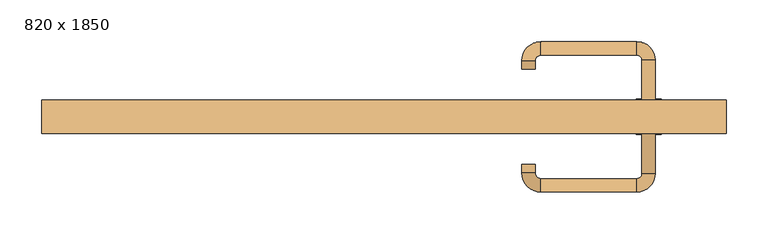
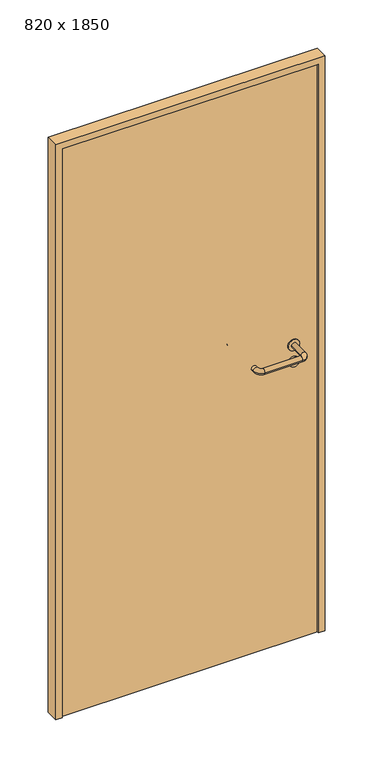
"""IFC4 building model written with IfcOpenShell, lengths in millimetres: door geometry, 820 x 1850."""

from ifc_helpers import new_model, si_unit, point, frame, frame_2d, origin, origin_with_axes, place, context, project, spatial, polyline, circle_curve, ellipse_curve, trimmed, segment, composite_curve, outline, extrude, source, transform, mapped, element, save
from ifc_brep_helpers import plane_surface, cylinder_surface, revolved_surface, advanced_brep


def door_820_x_1850_eba75e65(model_context):
    return source(origin(), model_context, "Body", "SolidModel", [
        extrude(outline(composite_curve([segment(trimmed(circle_curve(frame_2d((897.3605726, 317.0)), 15.0), [point((897.3605726, 332.0))], [point((897.3605726, 302.0))], False, "CARTESIAN"), True, "CONTINUOUS"), segment(trimmed(circle_curve(frame_2d((897.3605726, 317.0)), 15.0), [point((897.3605726, 302.0))], [point((897.3605726, 332.0))], False, "CARTESIAN"), True, "CONTINUOUS")], self_intersect=False), holes=[composite_curve([segment(trimmed(circle_curve(frame_2d((892.5833211, 316.9398032)), 2.0), [point((892.5833211, 318.9398032))], [point((892.5833211, 314.9398032))], True, "CARTESIAN"), True, "CONTINUOUS"), segment(polyline([(892.5833211, 314.9398032), (902.5833211, 314.9398032)]), True, "CONTINUOUS"), segment(trimmed(circle_curve(frame_2d((902.5833211, 316.9398032)), 2.0), [point((902.5833211, 314.9398032))], [point((902.5833211, 318.9398032))], True, "CARTESIAN"), True, "CONTINUOUS"), segment(polyline([(902.5833211, 318.9398032), (892.5833211, 318.9398032)]), True, "CONTINUOUS")], self_intersect=False)]), frame((0.0, -16.35, 0.0), z_axis=(0.0, 1.0, 0.0), x_axis=(0.0, 0.0, 1.0)), (0.0, 0.0, 1.0), 6.35),
        extrude(outline(composite_curve([segment(trimmed(circle_curve(frame_2d((950.0, 317.0)), 17.526), [point((950.0, 334.526))], [point((950.0, 299.474))], False, "CARTESIAN"), True, "CONTINUOUS"), segment(trimmed(circle_curve(frame_2d((950.0, 317.0)), 17.526), [point((950.0, 299.474))], [point((950.0, 334.526))], False, "CARTESIAN"), True, "CONTINUOUS")], self_intersect=False)), frame((0.0, -13.175, 0.0), z_axis=(0.0, 1.0, 0.0), x_axis=(0.0, 0.0, 1.0)), (0.0, 0.0, 1.0), 3.175),
        advanced_brep(
        [(325.0, -10.0, 950.0), (309.0, -10.0, 950.0), (309.0, -63.0, 950.0), (325.0, -63.0, 950.0), (302.8578644, -69.1421356, 950.0), (302.8578644, -85.1421356, 950.0), (187.8578644, -69.1421356, 950.0), (187.8578644, -85.1421356, 950.0), (181.008622, -62.2928932, 950.0), (165.008622, -62.2928932, 950.0), (165.008622, -52.2928932, 950.0), (181.008622, -52.2928932, 950.0)],
        [
            (0, 1, circle_curve(frame((317.0, -10.0, 950.0), z_axis=(0.0, 1.0, 0.0), x_axis=(-1.0, 0.0, 0.0)), 8.0)),
            (1, 0, circle_curve(frame((317.0, -10.0, 950.0), z_axis=(0.0, 1.0, 0.0), x_axis=(-1.0, 0.0, 0.0)), 8.0)),
            (1, 2),
            (2, 3, circle_curve(frame((317.0, -63.0, 950.0), z_axis=(0.0, 1.0, 0.0), x_axis=(-1.0, 0.0, 0.0)), 8.0)),
            (3, 0),
            (3, 2, circle_curve(frame((317.0, -63.0, 950.0), z_axis=(0.0, 1.0, 0.0), x_axis=(-1.0, 0.0, 0.0)), 8.0)),
            (4, 5, circle_curve(frame((302.8578644, -77.1421356, 950.0), z_axis=(1.0, 0.0, 0.0), x_axis=(0.0, 1.0, 0.0)), 8.0)),
            (5, 3, circle_curve(frame((302.8578644, -63.0, 950.0), z_axis=(0.0, 0.0, 1.0), x_axis=(1.0, 0.0, 0.0)), 22.1421356)),
            (2, 4, circle_curve(frame((302.8578644, -63.0, 950.0), z_axis=(0.0, 0.0, -1.0), x_axis=(1.0, 0.0, 0.0)), 6.1421356)),
            (5, 4, circle_curve(frame((302.8578644, -77.1421356, 950.0), z_axis=(1.0, 0.0, 0.0), x_axis=(0.0, 1.0, 0.0)), 8.0)),
            (4, 6),
            (6, 7, circle_curve(frame((187.8578644, -77.1421356, 950.0), z_axis=(1.0, 0.0, 0.0), x_axis=(0.0, 1.0, 0.0)), 8.0)),
            (7, 5),
            (7, 6, circle_curve(frame((187.8578644, -77.1421356, 950.0), z_axis=(1.0, 0.0, 0.0), x_axis=(0.0, 1.0, 0.0)), 8.0)),
            (8, 9, circle_curve(frame((173.008622, -62.2928932, 950.0), z_axis=(0.0, -1.0, 0.0), x_axis=(1.0, 0.0, 0.0)), 8.0)),
            (9, 7, circle_curve(frame((187.8578644, -62.2928932, 950.0), z_axis=(0.0, 0.0, 1.0), x_axis=(0.0, -1.0, 0.0)), 22.8492424)),
            (6, 8, circle_curve(frame((187.8578644, -62.2928932, 950.0), z_axis=(0.0, 0.0, -1.0), x_axis=(0.0, -1.0, 0.0)), 6.8492424)),
            (9, 8, circle_curve(frame((173.008622, -62.2928932, 950.0), z_axis=(0.0, -1.0, 0.0), x_axis=(1.0, 0.0, 0.0)), 8.0)),
            (10, 11, circle_curve(frame((173.008622, -52.2928932, 950.0), z_axis=(0.0, 1.0, 0.0), x_axis=(1.0, 0.0, 0.0)), 8.0)),
            (11, 10, circle_curve(frame((173.008622, -52.2928932, 950.0), z_axis=(0.0, 1.0, 0.0), x_axis=(1.0, 0.0, 0.0)), 8.0)),
            (8, 11),
            (10, 9),
        ],
        [
            plane_surface(frame((317.0, -10.0, 0.0), z_axis=(0.0, 1.0, 0.0), x_axis=(0.0, 0.0, 1.0))),
            cylinder_surface(frame((317.0, -10.0, 950.0), z_axis=(0.0, 1.0, 0.0), x_axis=(-1.0, 0.0, 0.0)), 8.0),
            revolved_surface(trimmed(ellipse_curve(frame((317.0, -63.0, 950.0), z_axis=(0.0, -1.0, 0.0), x_axis=(-1.0, 0.0, 0.0)), 8.0, 8.0), [point((325.0, -63.0, 950.0))], [point((309.0, -63.0, 950.0))], True, "CARTESIAN"), (302.8578644, -63.0, 0.0), (0.0, 0.0, 1.0)),
            revolved_surface(trimmed(ellipse_curve(frame((317.0, -63.0, 950.0), z_axis=(0.0, -1.0, 0.0), x_axis=(-1.0, 0.0, 0.0)), 8.0, 8.0), [point((309.0, -63.0, 950.0))], [point((325.0, -63.0, 950.0))], True, "CARTESIAN"), (302.8578644, -63.0, 0.0), (0.0, 0.0, 1.0)),
            cylinder_surface(frame((302.8578644, -77.1421356, 950.0), z_axis=(1.0, 0.0, 0.0), x_axis=(0.0, 1.0, 0.0)), 8.0),
            revolved_surface(trimmed(ellipse_curve(frame((187.8578644, -77.1421356, 950.0), z_axis=(-1.0, 0.0, 0.0), x_axis=(0.0, 1.0, 0.0)), 8.0, 8.0), [point((187.8578644, -85.1421356, 950.0))], [point((187.8578644, -69.1421356, 950.0))], True, "CARTESIAN"), (187.8578644, -62.2928932, 0.0), (0.0, 0.0, 1.0)),
            revolved_surface(trimmed(ellipse_curve(frame((187.8578644, -77.1421356, 950.0), z_axis=(-1.0, 0.0, 0.0), x_axis=(0.0, 1.0, 0.0)), 8.0, 8.0), [point((187.8578644, -69.1421356, 950.0))], [point((187.8578644, -85.1421356, 950.0))], True, "CARTESIAN"), (187.8578644, -62.2928932, 0.0), (0.0, 0.0, 1.0)),
            plane_surface(frame((173.008622, -52.2928932, 0.0), z_axis=(0.0, 1.0, 0.0), x_axis=(0.0, 0.0, 1.0))),
            cylinder_surface(frame((173.008622, -62.2928932, 950.0), z_axis=(0.0, -1.0, 0.0), x_axis=(1.0, 0.0, 0.0)), 8.0),
        ],
        [
            (0, [[1, 2]]),
            (1, [[3, 4, 5, -2]]),
            (1, [[-5, 6, -3, -1]]),
            (2, [[7, 8, -4, 9]]),
            (3, [[10, -9, -6, -8]]),
            (4, [[11, 12, 13, -7]]),
            (4, [[-13, 14, -11, -10]]),
            (5, [[15, 16, -12, 17]]),
            (6, [[18, -17, -14, -16]]),
            (7, [[19, 20]]),
            (8, [[21, -19, 22, -15]]),
            (8, [[-22, -20, -21, -18]]),
        ],
    ),
        extrude(outline(composite_curve([segment(trimmed(circle_curve(frame_2d((0.0, -15.0)), 15.0), [point((0.0, -30.0))], [point((0.0, 0.0))], False, "CARTESIAN"), True, "CONTINUOUS"), segment(trimmed(circle_curve(frame_2d((0.0, -15.0)), 15.0), [point((0.0, 0.0))], [point((0.0, -30.0))], False, "CARTESIAN"), True, "CONTINUOUS")], self_intersect=False), holes=[composite_curve([segment(trimmed(circle_curve(frame_2d((4.7772515, -14.9398032)), 2.0), [point((4.7772515, -16.9398032))], [point((4.7772515, -12.9398032))], True, "CARTESIAN"), True, "CONTINUOUS"), segment(polyline([(4.7772515, -12.9398032), (-5.2227485, -12.9398032)]), True, "CONTINUOUS"), segment(trimmed(circle_curve(frame_2d((-5.2227485, -14.9398032)), 2.0), [point((-5.2227485, -12.9398032))], [point((-5.2227485, -16.9398032))], True, "CARTESIAN"), True, "CONTINUOUS"), segment(polyline([(-5.2227485, -16.9398032), (4.7772515, -16.9398032)]), True, "CONTINUOUS")], self_intersect=False)]), frame((302.0, 20.0, 897.3605726), z_axis=(1.8870575173328306e-12, 1.0, 0.0), x_axis=(0.0, 0.0, -1.0)), (0.0, 0.0, 1.0), 6.35),
        extrude(outline(composite_curve([segment(trimmed(circle_curve(frame_2d((0.0, -17.526)), 17.526), [point((0.0, -35.052))], [point((0.0, 0.0))], False, "CARTESIAN"), True, "CONTINUOUS"), segment(trimmed(circle_curve(frame_2d((0.0, -17.526)), 17.526), [point((0.0, 0.0))], [point((0.0, -35.052))], False, "CARTESIAN"), True, "CONTINUOUS")], self_intersect=False)), frame((299.474, 20.0, 950.0), z_axis=(1.8870575173328306e-12, 1.0, 0.0), x_axis=(0.0, 0.0, -1.0)), (0.0, 0.0, 1.0), 3.175),
        advanced_brep(
        [(325.0, 20.0, 950.0), (309.0, 20.0, 950.0), (325.0, 73.0, 950.0), (309.0, 73.0, 950.0), (302.8578644, 79.1421356, 950.0), (302.8578644, 95.1421356, 950.0), (187.8578644, 95.1421356, 950.0), (187.8578644, 79.1421356, 950.0), (181.008622, 72.2928932, 950.0), (165.008622, 72.2928932, 950.0), (165.008622, 62.2928932, 950.0), (181.008622, 62.2928932, 950.0)],
        [
            (0, 1, circle_curve(frame((317.0, 20.0, 950.0), z_axis=(-1.888672253512351e-12, -1.0, 0.0), x_axis=(-1.0, 1.888672253512351e-12, 0.0)), 8.0)),
            (1, 0, circle_curve(frame((317.0, 20.0, 950.0), z_axis=(-1.888672253512351e-12, -1.0, 0.0), x_axis=(-1.0, 1.888672253512351e-12, 0.0)), 8.0)),
            (0, 2),
            (2, 3, circle_curve(frame((317.0, 73.0, 950.0), z_axis=(-1.888672253512351e-12, -1.0, 0.0), x_axis=(-1.0, 1.888672253512351e-12, 0.0)), 8.0)),
            (3, 1),
            (3, 2, circle_curve(frame((317.0, 73.0, 950.0), z_axis=(-1.888672253512351e-12, -1.0, 0.0), x_axis=(-1.0, 1.888672253512351e-12, 0.0)), 8.0)),
            (4, 3, circle_curve(frame((302.8578644, 73.0, 950.0), z_axis=(0.0, 0.0, -1.0), x_axis=(1.0, -1.880717803715015e-12, 0.0)), 6.1421356)),
            (2, 5, circle_curve(frame((302.8578644, 73.0, 950.0), z_axis=(0.0, 0.0, 1.0), x_axis=(1.0, -1.880717803715015e-12, 0.0)), 22.1421356)),
            (5, 4, circle_curve(frame((302.8578644, 87.1421356, 950.0), z_axis=(1.0, -1.913702061528922e-12, 0.0), x_axis=(-1.913702061528922e-12, -1.0, 0.0)), 8.0)),
            (4, 5, circle_curve(frame((302.8578644, 87.1421356, 950.0), z_axis=(1.0, -1.913702061528922e-12, 0.0), x_axis=(-1.913702061528922e-12, -1.0, 0.0)), 8.0)),
            (5, 6),
            (6, 7, circle_curve(frame((187.8578644, 87.1421356, 950.0), z_axis=(1.0, -1.913719828541269e-12, 0.0), x_axis=(-1.913719828541269e-12, -1.0, 0.0)), 8.0)),
            (7, 4),
            (7, 6, circle_curve(frame((187.8578644, 87.1421356, 950.0), z_axis=(1.0, -1.913719828541269e-12, 0.0), x_axis=(-1.913719828541269e-12, -1.0, 0.0)), 8.0)),
            (8, 7, circle_curve(frame((187.8578644, 72.2928932, 950.0), z_axis=(0.0, 0.0, -1.0), x_axis=(1.9120873253494017e-12, 1.0, 0.0)), 6.8492424)),
            (6, 9, circle_curve(frame((187.8578644, 72.2928932, 950.0), z_axis=(0.0, 0.0, 1.0), x_axis=(1.9120873253494017e-12, 1.0, 0.0)), 22.8492424)),
            (9, 8, circle_curve(frame((173.008622, 72.2928932, 950.0), z_axis=(1.890448610351751e-12, 1.0, 0.0), x_axis=(1.0, -1.890448610351751e-12, 0.0)), 8.0)),
            (8, 9, circle_curve(frame((173.008622, 72.2928932, 950.0), z_axis=(1.8888942981172756e-12, 1.0, 0.0), x_axis=(1.0, -1.8888942981172756e-12, 0.0)), 8.0)),
            (10, 11, circle_curve(frame((173.008622, 62.2928932, 950.0), z_axis=(-1.8903642334018795e-12, -1.0, 0.0), x_axis=(1.0, -1.8903642334018795e-12, 0.0)), 8.0)),
            (11, 10, circle_curve(frame((173.008622, 62.2928932, 950.0), z_axis=(-1.8903642334018795e-12, -1.0, 0.0), x_axis=(1.0, -1.8903642334018795e-12, 0.0)), 8.0)),
            (9, 10),
            (11, 8),
        ],
        [
            plane_surface(frame((317.0, 20.0, 0.0), z_axis=(-1.8870575173328306e-12, -1.0, 0.0), x_axis=(0.0, 0.0, 1.0))),
            cylinder_surface(frame((317.0, 20.0, 950.0), z_axis=(-1.888672253512351e-12, -1.0, 0.0), x_axis=(-1.0, 1.888672253512351e-12, 0.0)), 8.0),
            revolved_surface(trimmed(ellipse_curve(frame((317.0, 73.0, 950.0), z_axis=(-1.8823325398945356e-12, -1.0, 0.0), x_axis=(-1.0, 1.8823325398945356e-12, 0.0)), 8.0, 8.0), [point((325.0, 73.0, 950.0))], [point((309.0, 73.0, 950.0))], True, "CARTESIAN"), (302.8578644, 73.0, 0.0), (0.0, 0.0, 1.0)),
            revolved_surface(trimmed(ellipse_curve(frame((317.0, 73.0, 950.0), z_axis=(-1.8823325398945356e-12, -1.0, 0.0), x_axis=(-1.0, 1.8823325398945356e-12, 0.0)), 8.0, 8.0), [point((309.0, 73.0, 950.0))], [point((325.0, 73.0, 950.0))], True, "CARTESIAN"), (302.8578644, 73.0, 0.0), (0.0, 0.0, 1.0)),
            cylinder_surface(frame((302.8578644, 87.1421356, 950.0), z_axis=(1.0, -1.913719828541269e-12, 0.0), x_axis=(-1.913719828541269e-12, -1.0, 0.0)), 8.0),
            revolved_surface(trimmed(ellipse_curve(frame((187.8578644, 87.1421356, 950.0), z_axis=(1.0, -1.913702061528922e-12, 0.0), x_axis=(-1.913702061528922e-12, -1.0, 0.0)), 8.0, 8.0), [point((187.8578644, 95.1421356, 950.0))], [point((187.8578644, 79.1421356, 950.0))], True, "CARTESIAN"), (187.8578644, 72.2928932, 0.0), (0.0, 0.0, 1.0)),
            revolved_surface(trimmed(ellipse_curve(frame((187.8578644, 87.1421356, 950.0), z_axis=(1.0, -1.913702061528922e-12, 0.0), x_axis=(-1.913702061528922e-12, -1.0, 0.0)), 8.0, 8.0), [point((187.8578644, 79.1421356, 950.0))], [point((187.8578644, 95.1421356, 950.0))], True, "CARTESIAN"), (187.8578644, 72.2928932, 0.0), (0.0, 0.0, 1.0)),
            plane_surface(frame((173.008622, 62.2928932, 0.0), z_axis=(-1.8887494972223595e-12, -1.0, 0.0), x_axis=(0.0, 0.0, 1.0))),
            cylinder_surface(frame((173.008622, 72.2928932, 950.0), z_axis=(1.8903642334018795e-12, 1.0, 0.0), x_axis=(1.0, -1.8903642334018795e-12, 0.0)), 8.0),
        ],
        [
            (0, [[1, 2]]),
            (1, [[-1, 3, 4, 5]]),
            (1, [[-2, -5, 6, -3]]),
            (2, [[7, -4, 8, 9]]),
            (3, [[-8, -6, -7, 10]]),
            (4, [[-9, 11, 12, 13]]),
            (4, [[-10, -13, 14, -11]]),
            (5, [[15, -12, 16, 17]]),
            (6, [[-16, -14, -15, 18]]),
            (7, [[19, 20]]),
            (8, [[-17, 21, -20, 22]]),
            (8, [[-18, -22, -19, -21]]),
        ],
    ),
        extrude(outline(polyline([(1830.0, 390.0), (0.0, 390.0), (0.0, 410.0), (1850.0, 410.0), (1850.0, -410.0), (0.0, -410.0), (0.0, -390.0), (1830.0, -390.0), (1830.0, 390.0)])), frame((0.0, -15.0, 0.0), z_axis=(0.0, 1.0, 0.0), x_axis=(0.0, 0.0, 1.0)), (0.0, 0.0, 1.0), 40.0),
        extrude(outline(polyline([(-390.0, 20.0), (390.0, 20.0), (390.0, -10.0), (-390.0, -10.0), (-390.0, 20.0)])), origin_with_axes(), (0.0, 0.0, 1.0), 1830.0),
    ])


if __name__ == "__main__":
    model = new_model("IFC4")
    model_context = context("Model", 3, world=origin())
    ifc_project = project(units=[si_unit("LENGTHUNIT", "METRE", prefix="MILLI")], contexts=[model_context])
    site = spatial("IfcSite", under=ifc_project)
    building = spatial("IfcBuilding", under=site)
    placement = place(None, origin())
    door_820_x_1850_shape = door_820_x_1850_eba75e65(model_context)
    element("IfcDoor", 1, ObjectType="820 x 1850", at=placement, inside=building, context=model_context, shape_type="MappedRepresentation", body=[
        mapped(door_820_x_1850_shape, transform((0.0, 0.0, 0.0), x_axis=(1.0, 0.0, 0.0), y_axis=(0.0, 1.0, 0.0), z_axis=(0.0, 0.0, 1.0))),
    ])
    save(model, "model.ifc")
